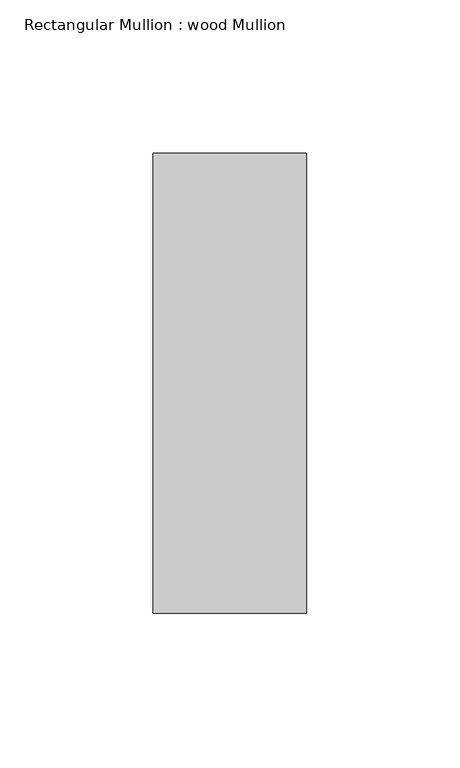
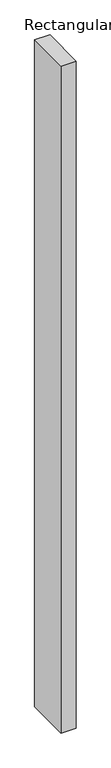
"""IFC4 building model written with IfcOpenShell, lengths in millimetres: member geometry, Rectangular Mullion : wood Mullion."""

import ifcopenshell
import ifcopenshell.guid

model = None  # the IFC model being written
_history = None  # IfcOwnerHistory: only IFC2X3 demands one
_inside = {}  # id of a spatial element -> (the spatial element, [elements in it])
_under = {}  # id of a project, library or spatial element -> (it, [spatial elements below it])
_declared = {}  # id of a project -> (the project, [libraries it declares])
_typed = {}  # id of a type object -> (the type object, [elements of that type])
_made_of = {}  # id of a material, layer set ... -> (it, [elements and type objects made of it])


def new_model(schema):
    """Start an empty IFC model of exactly this schema.

    Asked for "IFC4X3", IfcOpenShell would pick the latest addendum, in which some entities
    have other attributes; the version numbers below select the first issue.
    IFC2X3 requires an IfcOwnerHistory on every rooted entity: one is made here for all.
    """
    global model, _history
    if schema == "IFC4X3":
        model = ifcopenshell.file(schema_version=(4, 3, 0, 0))
    else:
        model = ifcopenshell.file(schema=schema)
    _inside.clear()
    _under.clear()
    _declared.clear()
    _typed.clear()
    _made_of.clear()
    _history = None
    if model.schema == "IFC2X3":
        org = make("IfcOrganization", Name="unknown")
        user = make(
            "IfcPersonAndOrganization",
            ThePerson=make("IfcPerson", FamilyName="unknown"),
            TheOrganization=org,
        )
        app = make(
            "IfcApplication",
            ApplicationDeveloper=org,
            Version="unknown",
            ApplicationFullName="unknown",
            ApplicationIdentifier="unknown",
        )
        _history = make(
            "IfcOwnerHistory",
            OwningUser=user,
            OwningApplication=app,
            ChangeAction="ADDED",
            CreationDate=0,
        )
    return model


def make(cls, **values):
    """One entity of the class cls with the attributes given. An attribute that is None is left unset."""
    return model.create_entity(
        cls, **{name: value for name, value in values.items() if value is not None}
    )


def rooted(cls, **values):
    """An entity with a GlobalId (a new one), such as an element, a storey or a relation."""
    return make(cls, GlobalId=ifcopenshell.guid.new(), OwnerHistory=_history, **values)


def si_unit(unit_type, name, prefix=None):
    """IfcSIUnit, for example si_unit("LENGTHUNIT", "METRE", prefix="MILLI")."""
    return make("IfcSIUnit", UnitType=unit_type, Prefix=prefix, Name=name)


def assignment(units):
    """IfcUnitAssignment: the units of a project."""
    return None if units is None else make("IfcUnitAssignment", Units=units)


def point(xyz):
    """IfcCartesianPoint."""
    return None if xyz is None else make("IfcCartesianPoint", Coordinates=xyz)


def direction(xyz):
    """IfcDirection."""
    return None if xyz is None else make("IfcDirection", DirectionRatios=xyz)


def frame(location, z_axis=None, x_axis=None):
    """IfcAxis2Placement3D, a coordinate frame: its origin and axes. An axis left out is left unset."""
    return make(
        "IfcAxis2Placement3D",
        Location=point(location),
        Axis=direction(z_axis),
        RefDirection=direction(x_axis),
    )


def origin():
    """The frame at (0, 0, 0) with its axes left unset."""
    return frame((0.0, 0.0, 0.0))


def place(relative_to, where):
    """IfcLocalPlacement: puts the frame where relative to a parent placement (None: the world)."""
    return make(
        "IfcLocalPlacement", PlacementRelTo=relative_to, RelativePlacement=where
    )


def context(
    kind, dimensions, precision=None, world=None, true_north=None, identifier=None
):
    """IfcGeometricRepresentationContext, for example the 3D "Model" context."""
    return make(
        "IfcGeometricRepresentationContext",
        ContextIdentifier=identifier,
        ContextType=kind,
        CoordinateSpaceDimension=dimensions,
        Precision=precision,
        WorldCoordinateSystem=world,
        TrueNorth=true_north,
    )


def project(units=None, contexts=None):
    """IfcProject with its units and contexts."""
    return rooted(
        "IfcProject",
        Name="project",
        RepresentationContexts=contexts,
        UnitsInContext=assignment(units),
    )


def spatial(cls, under=None, at=None, **own):
    """A site, building, storey or space (cls), placed at a placement, below another one or the project."""
    s = rooted(cls, ObjectPlacement=at, **own)
    if under is not None:
        _under.setdefault(under.id(), (under, []))[1].append(s)
    return s


def polyline(points):
    """IfcPolyline through the points."""
    return make("IfcPolyline", Points=[point(p) for p in points])


def outline(outer, holes=None, kind="AREA"):
    """IfcArbitraryClosedProfileDef: a profile drawn as a closed curve; with holes, ...WithVoids."""
    if holes is None:
        return make("IfcArbitraryClosedProfileDef", ProfileType=kind, OuterCurve=outer)
    return make(
        "IfcArbitraryProfileDefWithVoids",
        ProfileType=kind,
        OuterCurve=outer,
        InnerCurves=holes,
    )


def extrude(swept, where, along, depth):
    """IfcExtrudedAreaSolid: the profile swept, set in the frame where, extruded along a direction by depth."""
    return make(
        "IfcExtrudedAreaSolid",
        SweptArea=swept,
        Position=where,
        ExtrudedDirection=direction(along),
        Depth=depth,
    )


def shape(context_of_items, identifier, shape_type, items):
    """IfcShapeRepresentation: the items that make up one representation, for example the "Body"."""
    return make(
        "IfcShapeRepresentation",
        ContextOfItems=context_of_items,
        RepresentationIdentifier=identifier,
        RepresentationType=shape_type,
        Items=items,
    )


def source(mapping_origin, context_of_items, identifier, shape_type, items):
    """IfcRepresentationMap: a shape defined once, which mapped items show again and again."""
    return make(
        "IfcRepresentationMap",
        MappingOrigin=mapping_origin,
        MappedRepresentation=shape(context_of_items, identifier, shape_type, items),
    )


def transform(
    local_origin,
    x_axis=None,
    y_axis=None,
    z_axis=None,
    scale=None,
    scale2=None,
    scale3=None,
    uniform=True,
):
    """IfcCartesianTransformationOperator3D, or its non-uniform kind. x_axis, y_axis, z_axis: its Axis1, 2, 3."""
    if uniform:
        return make(
            "IfcCartesianTransformationOperator3D",
            Axis1=direction(x_axis),
            Axis2=direction(y_axis),
            LocalOrigin=point(local_origin),
            Scale=scale,
            Axis3=direction(z_axis),
        )
    return make(
        "IfcCartesianTransformationOperator3DnonUniform",
        Axis1=direction(x_axis),
        Axis2=direction(y_axis),
        LocalOrigin=point(local_origin),
        Scale=scale,
        Axis3=direction(z_axis),
        Scale2=scale2,
        Scale3=scale3,
    )


def mapped(mapping_source, mapping_target):
    """IfcMappedItem: shows the shape of a source again, moved by a transform."""
    return make(
        "IfcMappedItem", MappingSource=mapping_source, MappingTarget=mapping_target
    )


def made_of(thing, what):
    """Note that an element or type object is made of a material, layer set ...; save() writes the relation."""
    if what is not None:
        _made_of.setdefault(what.id(), (what, []))[1].append(thing)
    return thing


def element(
    cls,
    number,
    at=None,
    inside=None,
    cuts=None,
    type_object=None,
    material=None,
    context=None,
    identifier="Body",
    shape_type=None,
    held_by="IfcProductDefinitionShape",
    body=None,
    shapes=None,
    **own,
):
    """One element of the class cls, such as IfcWall. Its Tag is "e" and its number.

    at: its placement. inside: the storey or other place that contains it. cuts: it is an
    opening in that element (IfcRelVoidsElement). A single representation is given by context,
    identifier, shape_type and body (its items); several are given by shapes. held_by: the class
    of the entity that holds the representations. save() writes the other relations.
    """
    e = rooted(cls, Tag="e%d" % number, ObjectPlacement=at, **own)
    if body is not None:
        shapes = [shape(context, identifier, shape_type, body)]
    if shapes is not None:
        e.Representation = make(held_by, Representations=shapes)
    if inside is not None:
        _inside.setdefault(inside.id(), (inside, []))[1].append(e)
    if cuts is not None:
        rooted(
            "IfcRelVoidsElement", RelatingBuildingElement=cuts, RelatedOpeningElement=e
        )
    if type_object is not None:
        _typed.setdefault(type_object.id(), (type_object, []))[1].append(e)
    return made_of(e, material)


def aggregate(whole, parts):
    """IfcRelAggregates: a whole, such as a stair, and the parts it consists of."""
    return rooted("IfcRelAggregates", RelatingObject=whole, RelatedObjects=parts)


def save(model, path):
    """Write the relations noted so far, then the file.

    IfcRelAggregates (storeys below a building ...), IfcRelContainedInSpatialStructure (elements
    in a storey), IfcRelDefinesByType, IfcRelAssociatesMaterial and IfcRelDeclares: one each for
    every whole, place, type object, material and project.
    """
    for whole, parts in _under.values():
        aggregate(whole, parts)
    for where, things in _inside.values():
        rooted(
            "IfcRelContainedInSpatialStructure",
            RelatedElements=things,
            RelatingStructure=where,
        )
    for kind, things in _typed.values():
        rooted("IfcRelDefinesByType", RelatedObjects=things, RelatingType=kind)
    for what, things in _made_of.values():
        rooted("IfcRelAssociatesMaterial", RelatedObjects=things, RelatingMaterial=what)
    for by, libraries in _declared.values():
        rooted("IfcRelDeclares", RelatingContext=by, RelatedDefinitions=libraries)
    model.write(path)


def rectangular_mullion_wood_mullion_b3830fd3(model_context):
    return source(origin(), model_context, "Body", "SweptSolid", [
        extrude(outline(polyline([(25.0, 75.0), (25.0, -75.0), (-25.0, -75.0), (-25.0, 75.0), (25.0, 75.0)])), frame((0.0, 0.0, -2325.0), z_axis=(0.0, 0.0, 1.0), x_axis=(1.0, 0.0, 0.0)), (0.0, 0.0, 1.0), 2325.0),
    ])


if __name__ == "__main__":
    model = new_model("IFC4")
    model_context = context("Model", 3, world=origin())
    ifc_project = project(units=[si_unit("LENGTHUNIT", "METRE", prefix="MILLI")], contexts=[model_context])
    site = spatial("IfcSite", under=ifc_project)
    building = spatial("IfcBuilding", under=site)
    placement = place(None, origin())
    rectangular_mullion_wood_mullion_shape = rectangular_mullion_wood_mullion_b3830fd3(model_context)
    element("IfcMember", 1, ObjectType="Rectangular Mullion : wood Mullion", at=placement, inside=building, context=model_context, shape_type="MappedRepresentation", body=[
        mapped(rectangular_mullion_wood_mullion_shape, transform((0.0, 0.0, 0.0), x_axis=(1.0, 0.0, 0.0), y_axis=(0.0, 1.0, 0.0), z_axis=(0.0, 0.0, 1.0))),
    ])
    save(model, "model.ifc")
